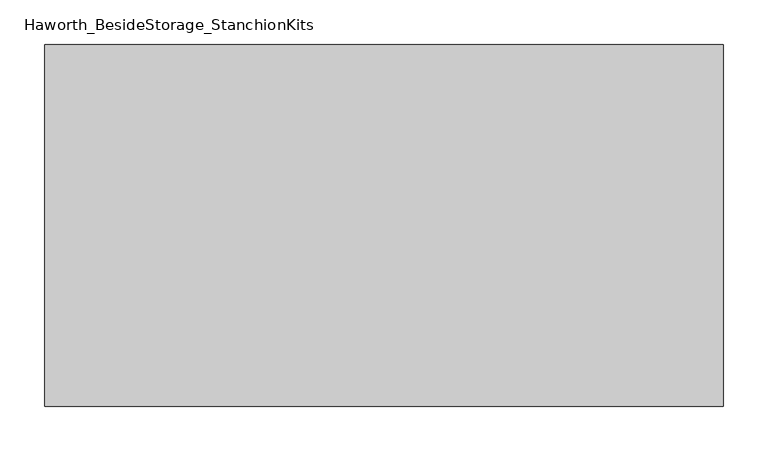
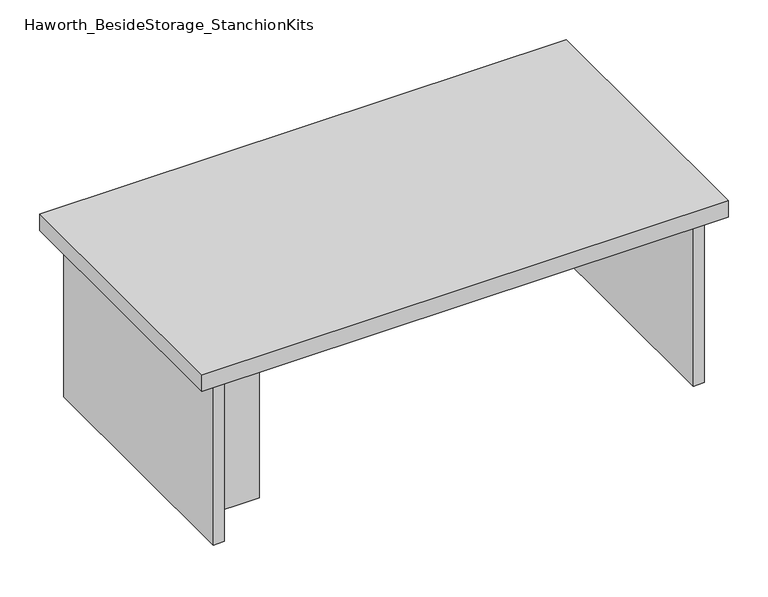
"""IFC4 building model written with IfcOpenShell, lengths in millimetres: furniture geometry, Haworth_BesideStorage_StanchionKits."""

from ifc_helpers import new_model, si_unit, frame, origin, place, context, project, spatial, polyline, outline, extrude, source, transform, mapped, element, save


def haworth_besidestorage_stanchionkits_a5a16ebb(model_context):
    return source(origin(), model_context, "Body", "SweptSolid", [
        extrude(outline(polyline([(542.925, 0.0), (542.925, -406.4), (-219.075, -406.4), (-219.075, 0.0), (542.925, 0.0)])), frame((0.0, 0.0, 685.8), z_axis=(0.0, 0.0, 1.0), x_axis=(1.0, 0.0, 0.0)), (0.0, 0.0, 1.0), 25.4),
        extrude(outline(polyline([(415.925, -76.2), (501.65, -76.2), (501.65, -92.075), (415.925, -92.075), (415.925, -76.2)])), frame((0.0, 0.0, 431.8), z_axis=(0.0, 0.0, 1.0), x_axis=(1.0, 0.0, 0.0)), (0.0, 0.0, 1.0), 254.0),
        extrude(outline(polyline([(-92.075, -314.325), (-92.075, -330.2), (-177.8, -330.2), (-177.8, -314.325), (-92.075, -314.325)])), frame((0.0, 0.0, 431.8), z_axis=(0.0, 0.0, 1.0), x_axis=(1.0, 0.0, 0.0)), (0.0, 0.0, 1.0), 254.0),
        extrude(outline(polyline([(517.525, -390.525), (501.65, -390.525), (501.65, -15.875), (517.525, -15.875), (517.525, -390.525)])), frame((0.0, 0.0, 431.8), z_axis=(0.0, 0.0, 1.0), x_axis=(1.0, 0.0, 0.0)), (0.0, 0.0, 1.0), 254.0),
        extrude(outline(polyline([(-177.8, -390.525), (-193.675, -390.525), (-193.675, -15.875), (-177.8, -15.875), (-177.8, -390.525)])), frame((0.0, 0.0, 431.8), z_axis=(0.0, 0.0, 1.0), x_axis=(1.0, 0.0, 0.0)), (0.0, 0.0, 1.0), 254.0),
    ])


if __name__ == "__main__":
    model = new_model("IFC4")
    model_context = context("Model", 3, world=origin())
    ifc_project = project(units=[si_unit("LENGTHUNIT", "METRE", prefix="MILLI")], contexts=[model_context])
    site = spatial("IfcSite", under=ifc_project)
    building = spatial("IfcBuilding", under=site)
    placement = place(None, origin())
    haworth_besidestorage_stanchionkits_shape = haworth_besidestorage_stanchionkits_a5a16ebb(model_context)
    element("IfcFurniture", 1, ObjectType="Haworth_BesideStorage_StanchionKits", at=placement, inside=building, context=model_context, shape_type="MappedRepresentation", body=[
        mapped(haworth_besidestorage_stanchionkits_shape, transform((0.0, 0.0, 0.0), x_axis=(1.0, 0.0, 0.0), y_axis=(0.0, 1.0, 0.0), z_axis=(0.0, 0.0, 1.0))),
    ])
    save(model, "model.ifc")
